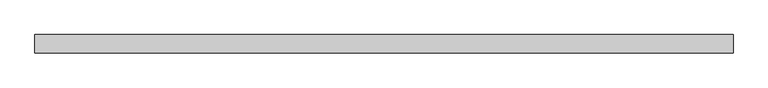
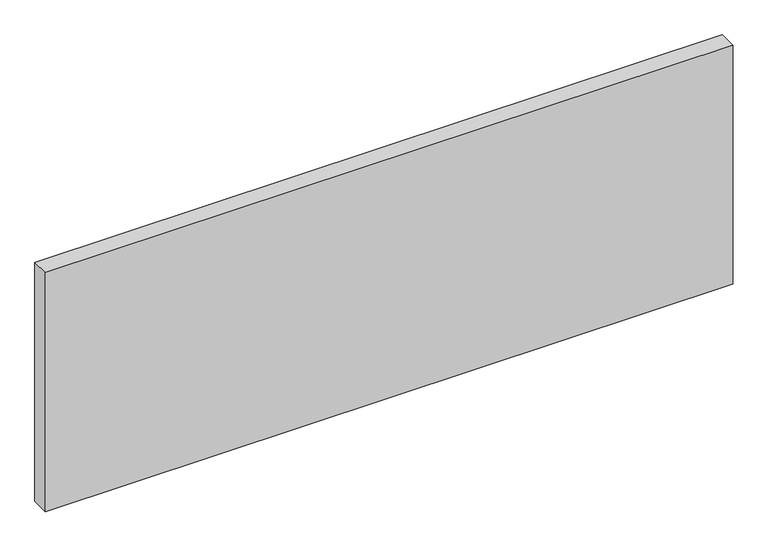
"""IFC4 building model written with IfcOpenShell, lengths in millimetres: plate geometry."""

from ifc_helpers import new_model, si_unit, origin, origin_with_axes, place, context, project, spatial, polyline, outline, extrude, source, transform, mapped, element, save


def plate_c3f546af(model_context):
    return source(origin(), model_context, "Body", "SweptSolid", [
        extrude(outline(polyline([(670.9320652, -17.5), (-670.9320652, -17.5), (-670.9320652, 17.5), (670.9320652, 17.5), (670.9320652, -17.5)])), origin_with_axes(), (0.0, 0.0, 1.0), 493.2356764),
    ])


if __name__ == "__main__":
    model = new_model("IFC4")
    model_context = context("Model", 3, world=origin())
    ifc_project = project(units=[si_unit("LENGTHUNIT", "METRE", prefix="MILLI")], contexts=[model_context])
    site = spatial("IfcSite", under=ifc_project)
    building = spatial("IfcBuilding", under=site)
    placement = place(None, origin())
    plate_shape = plate_c3f546af(model_context)
    element("IfcPlate", 1, at=placement, inside=building, context=model_context, shape_type="MappedRepresentation", body=[
        mapped(plate_shape, transform((0.0, 0.0, 0.0), x_axis=(1.0, 0.0, 0.0), y_axis=(0.0, 1.0, 0.0), z_axis=(0.0, 0.0, 1.0))),
    ])
    save(model, "model.ifc")
